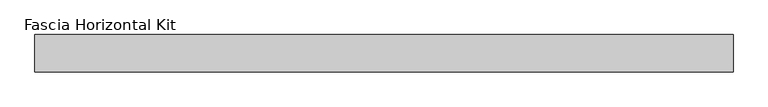
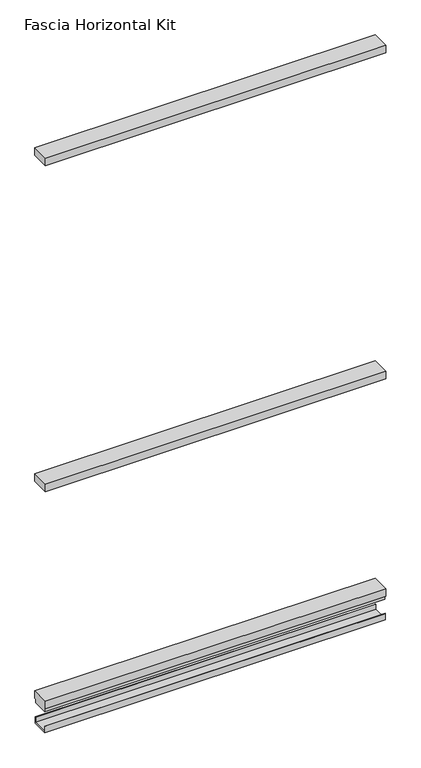
"""IFC4 building model written with IfcOpenShell, lengths in millimetres: proxy geometry, Fascia Horizontal Kit."""

from ifc_helpers import new_model, si_unit, frame, origin, place, context, project, spatial, polyline, outline, extrude, source, transform, mapped, element, save


def fascia_horizontal_kit_eff112c2(model_context):
    return source(origin(), model_context, "Body", "SweptSolid", [
        extrude(outline(polyline([(-702.8438598, 34.0688663), (-702.8438598, 98.4324663), (502.1591376, 98.4324663), (502.1591376, 34.0688663), (-702.8438598, 34.0688663)])), frame((0.0, 0.0, 903.829), z_axis=(0.0, 0.0, 1.0), x_axis=(1.0, 0.0, 0.0)), (0.0, 0.0, 1.0), 28.0),
        extrude(outline(polyline([(-702.8438598, 34.0688663), (-702.8438598, 98.4324663), (502.1591376, 98.4324663), (502.1591376, 34.0688663), (-702.8438598, 34.0688663)])), frame((0.0, 0.0, 2124.295979), z_axis=(0.0, 0.0, 1.0), x_axis=(1.0, 0.0, 0.0)), (0.0, 0.0, 1.0), 28.0),
        extrude(outline(polyline([(94.0992263, 4.58724), (94.0992263, 23.2156), (95.2574663, 23.2156), (95.2574663, 0.0), (37.2438663, 0.0), (37.2438663, 23.2156), (38.4021063, 23.2156), (38.4021063, 4.58724), (94.0992263, 4.58724)])), frame((-702.8438598, 0.0, 0.0), z_axis=(1.0, 0.0, 0.0), x_axis=(0.0, 1.0, 0.0)), (0.0, 0.0, 1.0), 1205.0029973),
        extrude(outline(polyline([(98.4324663, 119.029), (98.4324663, 91.029), (93.5466663, 91.029), (93.5466663, 77.0336001), (38.9546663, 77.0336001), (38.9546663, 91.029), (34.0688663, 91.029), (34.0688663, 119.029), (98.4324663, 119.029)])), frame((-702.8438598, 0.0, 0.0), z_axis=(1.0, 0.0, 0.0), x_axis=(0.0, 1.0, 0.0)), (0.0, 0.0, 1.0), 1205.0029973),
    ])


if __name__ == "__main__":
    model = new_model("IFC4")
    model_context = context("Model", 3, world=origin())
    ifc_project = project(units=[si_unit("LENGTHUNIT", "METRE", prefix="MILLI")], contexts=[model_context])
    site = spatial("IfcSite", under=ifc_project)
    building = spatial("IfcBuilding", under=site)
    placement = place(None, origin())
    fascia_horizontal_kit_shape = fascia_horizontal_kit_eff112c2(model_context)
    element("IfcBuildingElementProxy", 1, Name="Fascia Horizontal Kit", ObjectType="Fascia Horizontal Kit", at=placement, inside=building, context=model_context, shape_type="MappedRepresentation", body=[
        mapped(fascia_horizontal_kit_shape, transform((0.0, 0.0, 0.0), x_axis=(1.0, 0.0, 0.0), y_axis=(0.0, 1.0, 0.0), z_axis=(0.0, 0.0, 1.0))),
    ])
    save(model, "model.ifc")
